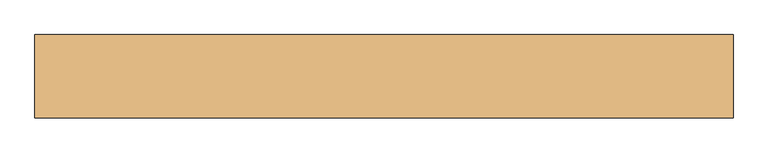
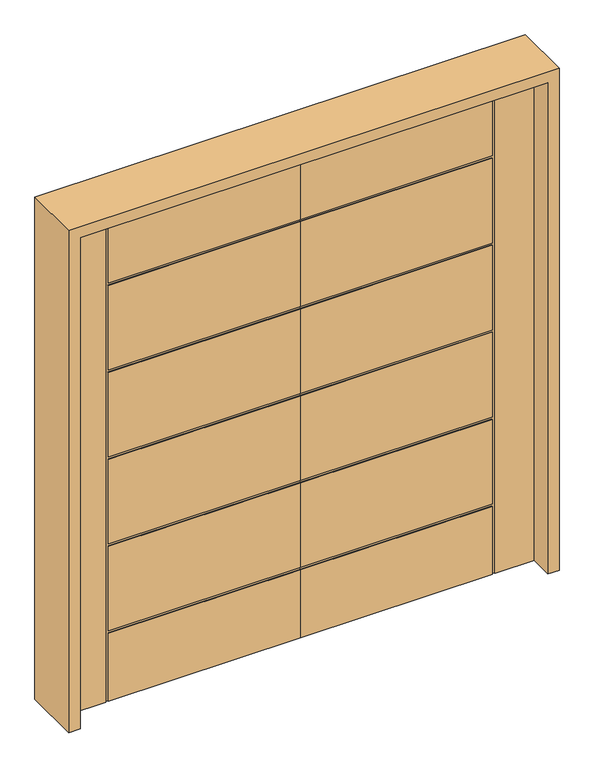
"""IFC4 building model written with IfcOpenShell, lengths in millimetres: door geometry."""

import ifcopenshell
import ifcopenshell.guid

model = None  # the IFC model being written
_history = None  # IfcOwnerHistory: only IFC2X3 demands one
_inside = {}  # id of a spatial element -> (the spatial element, [elements in it])
_under = {}  # id of a project, library or spatial element -> (it, [spatial elements below it])
_declared = {}  # id of a project -> (the project, [libraries it declares])
_typed = {}  # id of a type object -> (the type object, [elements of that type])
_made_of = {}  # id of a material, layer set ... -> (it, [elements and type objects made of it])


def new_model(schema):
    """Start an empty IFC model of exactly this schema.

    Asked for "IFC4X3", IfcOpenShell would pick the latest addendum, in which some entities
    have other attributes; the version numbers below select the first issue.
    IFC2X3 requires an IfcOwnerHistory on every rooted entity: one is made here for all.
    """
    global model, _history
    if schema == "IFC4X3":
        model = ifcopenshell.file(schema_version=(4, 3, 0, 0))
    else:
        model = ifcopenshell.file(schema=schema)
    _inside.clear()
    _under.clear()
    _declared.clear()
    _typed.clear()
    _made_of.clear()
    _history = None
    if model.schema == "IFC2X3":
        org = make("IfcOrganization", Name="unknown")
        user = make(
            "IfcPersonAndOrganization",
            ThePerson=make("IfcPerson", FamilyName="unknown"),
            TheOrganization=org,
        )
        app = make(
            "IfcApplication",
            ApplicationDeveloper=org,
            Version="unknown",
            ApplicationFullName="unknown",
            ApplicationIdentifier="unknown",
        )
        _history = make(
            "IfcOwnerHistory",
            OwningUser=user,
            OwningApplication=app,
            ChangeAction="ADDED",
            CreationDate=0,
        )
    return model


def make(cls, **values):
    """One entity of the class cls with the attributes given. An attribute that is None is left unset."""
    return model.create_entity(
        cls, **{name: value for name, value in values.items() if value is not None}
    )


def rooted(cls, **values):
    """An entity with a GlobalId (a new one), such as an element, a storey or a relation."""
    return make(cls, GlobalId=ifcopenshell.guid.new(), OwnerHistory=_history, **values)


def si_unit(unit_type, name, prefix=None):
    """IfcSIUnit, for example si_unit("LENGTHUNIT", "METRE", prefix="MILLI")."""
    return make("IfcSIUnit", UnitType=unit_type, Prefix=prefix, Name=name)


def assignment(units):
    """IfcUnitAssignment: the units of a project."""
    return None if units is None else make("IfcUnitAssignment", Units=units)


def point(xyz):
    """IfcCartesianPoint."""
    return None if xyz is None else make("IfcCartesianPoint", Coordinates=xyz)


def direction(xyz):
    """IfcDirection."""
    return None if xyz is None else make("IfcDirection", DirectionRatios=xyz)


def frame(location, z_axis=None, x_axis=None):
    """IfcAxis2Placement3D, a coordinate frame: its origin and axes. An axis left out is left unset."""
    return make(
        "IfcAxis2Placement3D",
        Location=point(location),
        Axis=direction(z_axis),
        RefDirection=direction(x_axis),
    )


def origin():
    """The frame at (0, 0, 0) with its axes left unset."""
    return frame((0.0, 0.0, 0.0))


def place(relative_to, where):
    """IfcLocalPlacement: puts the frame where relative to a parent placement (None: the world)."""
    return make(
        "IfcLocalPlacement", PlacementRelTo=relative_to, RelativePlacement=where
    )


def context(
    kind, dimensions, precision=None, world=None, true_north=None, identifier=None
):
    """IfcGeometricRepresentationContext, for example the 3D "Model" context."""
    return make(
        "IfcGeometricRepresentationContext",
        ContextIdentifier=identifier,
        ContextType=kind,
        CoordinateSpaceDimension=dimensions,
        Precision=precision,
        WorldCoordinateSystem=world,
        TrueNorth=true_north,
    )


def project(units=None, contexts=None):
    """IfcProject with its units and contexts."""
    return rooted(
        "IfcProject",
        Name="project",
        RepresentationContexts=contexts,
        UnitsInContext=assignment(units),
    )


def spatial(cls, under=None, at=None, **own):
    """A site, building, storey or space (cls), placed at a placement, below another one or the project."""
    s = rooted(cls, ObjectPlacement=at, **own)
    if under is not None:
        _under.setdefault(under.id(), (under, []))[1].append(s)
    return s


def polyline(points):
    """IfcPolyline through the points."""
    return make("IfcPolyline", Points=[point(p) for p in points])


def outline(outer, holes=None, kind="AREA"):
    """IfcArbitraryClosedProfileDef: a profile drawn as a closed curve; with holes, ...WithVoids."""
    if holes is None:
        return make("IfcArbitraryClosedProfileDef", ProfileType=kind, OuterCurve=outer)
    return make(
        "IfcArbitraryProfileDefWithVoids",
        ProfileType=kind,
        OuterCurve=outer,
        InnerCurves=holes,
    )


def extrude(swept, where, along, depth):
    """IfcExtrudedAreaSolid: the profile swept, set in the frame where, extruded along a direction by depth."""
    return make(
        "IfcExtrudedAreaSolid",
        SweptArea=swept,
        Position=where,
        ExtrudedDirection=direction(along),
        Depth=depth,
    )


def faces_of(points, faces, orient=None, outer=None):
    """IfcFace entities. A face is a list of loops; a loop is a list of indices into points, from 0.

    orient and outer hold one flag for each loop. By default every Orientation is true, the
    first loop of a face is its IfcFaceOuterBound and the others are IfcFaceBound.
    """
    made = []
    for i, loops in enumerate(faces):
        bounds = []
        for j, loop in enumerate(loops):
            is_outer = j == 0 if outer is None else outer[i][j]
            bounds.append(
                make(
                    "IfcFaceOuterBound" if is_outer else "IfcFaceBound",
                    Bound=make("IfcPolyLoop", Polygon=[points[k] for k in loop]),
                    Orientation=True if orient is None else orient[i][j],
                )
            )
        made.append(make("IfcFace", Bounds=bounds))
    return made


def faceted_brep(points, faces, orient=None, outer=None, voids=None):
    """IfcFacetedBrep: a solid bounded by flat faces; with voids (closed shells), ...WithVoids."""
    shared = [point(p) for p in points]
    hull = make("IfcClosedShell", CfsFaces=faces_of(shared, faces, orient, outer))
    if voids is None:
        return make("IfcFacetedBrep", Outer=hull)
    return make(
        "IfcFacetedBrepWithVoids",
        Outer=hull,
        Voids=[
            make(cls, CfsFaces=faces_of(shared, fs, o, b)) for cls, fs, o, b in voids
        ],
    )


def shape(context_of_items, identifier, shape_type, items):
    """IfcShapeRepresentation: the items that make up one representation, for example the "Body"."""
    return make(
        "IfcShapeRepresentation",
        ContextOfItems=context_of_items,
        RepresentationIdentifier=identifier,
        RepresentationType=shape_type,
        Items=items,
    )


def source(mapping_origin, context_of_items, identifier, shape_type, items):
    """IfcRepresentationMap: a shape defined once, which mapped items show again and again."""
    return make(
        "IfcRepresentationMap",
        MappingOrigin=mapping_origin,
        MappedRepresentation=shape(context_of_items, identifier, shape_type, items),
    )


def transform(
    local_origin,
    x_axis=None,
    y_axis=None,
    z_axis=None,
    scale=None,
    scale2=None,
    scale3=None,
    uniform=True,
):
    """IfcCartesianTransformationOperator3D, or its non-uniform kind. x_axis, y_axis, z_axis: its Axis1, 2, 3."""
    if uniform:
        return make(
            "IfcCartesianTransformationOperator3D",
            Axis1=direction(x_axis),
            Axis2=direction(y_axis),
            LocalOrigin=point(local_origin),
            Scale=scale,
            Axis3=direction(z_axis),
        )
    return make(
        "IfcCartesianTransformationOperator3DnonUniform",
        Axis1=direction(x_axis),
        Axis2=direction(y_axis),
        LocalOrigin=point(local_origin),
        Scale=scale,
        Axis3=direction(z_axis),
        Scale2=scale2,
        Scale3=scale3,
    )


def mapped(mapping_source, mapping_target):
    """IfcMappedItem: shows the shape of a source again, moved by a transform."""
    return make(
        "IfcMappedItem", MappingSource=mapping_source, MappingTarget=mapping_target
    )


def made_of(thing, what):
    """Note that an element or type object is made of a material, layer set ...; save() writes the relation."""
    if what is not None:
        _made_of.setdefault(what.id(), (what, []))[1].append(thing)
    return thing


def element(
    cls,
    number,
    at=None,
    inside=None,
    cuts=None,
    type_object=None,
    material=None,
    context=None,
    identifier="Body",
    shape_type=None,
    held_by="IfcProductDefinitionShape",
    body=None,
    shapes=None,
    **own,
):
    """One element of the class cls, such as IfcWall. Its Tag is "e" and its number.

    at: its placement. inside: the storey or other place that contains it. cuts: it is an
    opening in that element (IfcRelVoidsElement). A single representation is given by context,
    identifier, shape_type and body (its items); several are given by shapes. held_by: the class
    of the entity that holds the representations. save() writes the other relations.
    """
    e = rooted(cls, Tag="e%d" % number, ObjectPlacement=at, **own)
    if body is not None:
        shapes = [shape(context, identifier, shape_type, body)]
    if shapes is not None:
        e.Representation = make(held_by, Representations=shapes)
    if inside is not None:
        _inside.setdefault(inside.id(), (inside, []))[1].append(e)
    if cuts is not None:
        rooted(
            "IfcRelVoidsElement", RelatingBuildingElement=cuts, RelatedOpeningElement=e
        )
    if type_object is not None:
        _typed.setdefault(type_object.id(), (type_object, []))[1].append(e)
    return made_of(e, material)


def aggregate(whole, parts):
    """IfcRelAggregates: a whole, such as a stair, and the parts it consists of."""
    return rooted("IfcRelAggregates", RelatingObject=whole, RelatedObjects=parts)


def save(model, path):
    """Write the relations noted so far, then the file.

    IfcRelAggregates (storeys below a building ...), IfcRelContainedInSpatialStructure (elements
    in a storey), IfcRelDefinesByType, IfcRelAssociatesMaterial and IfcRelDeclares: one each for
    every whole, place, type object, material and project.
    """
    for whole, parts in _under.values():
        aggregate(whole, parts)
    for where, things in _inside.values():
        rooted(
            "IfcRelContainedInSpatialStructure",
            RelatedElements=things,
            RelatingStructure=where,
        )
    for kind, things in _typed.values():
        rooted("IfcRelDefinesByType", RelatedObjects=things, RelatingType=kind)
    for what, things in _made_of.values():
        rooted("IfcRelAssociatesMaterial", RelatedObjects=things, RelatingMaterial=what)
    for by, libraries in _declared.values():
        rooted("IfcRelDeclares", RelatingContext=by, RelatedDefinitions=libraries)
    model.write(path)


def door_82192483(model_context):
    return source(origin(), model_context, "Body", "SolidModel", [
        faceted_brep([(0.0, -22.225, 0.0), (-750.824, -22.225, 0.0), (-750.824, -18.923, 0.0), (-760.73, -18.923, 0.0), (-760.73, -22.225, 0.0), (-914.4, -22.225, 0.0), (-914.4, 22.225, 0.0), (-760.73, 22.225, 0.0), (-760.73, 18.923, 0.0), (-750.824, 18.923, 0.0), (-750.824, 22.225, 0.0), (0.0, 22.225, 0.0), (0.0, -22.225, 2032.0), (0.0, -22.225, 1731.518), (0.0, -18.923, 1731.518), (0.0, -18.923, 1721.612), (0.0, -22.225, 1721.612), (0.0, -22.225, 1371.6), (0.0, -18.923, 1371.6), (0.0, -18.923, 1361.694), (0.0, -22.225, 1361.694), (0.0, -22.225, 1011.682), (0.0, -18.923, 1011.682), (0.0, -18.923, 1001.776), (0.0, -22.225, 1001.776), (0.0, -22.225, 651.764), (0.0, -18.923, 651.764), (0.0, -18.923, 641.858), (0.0, -22.225, 641.858), (0.0, -22.225, 291.846), (0.0, -18.923, 291.846), (0.0, -18.923, 281.94), (0.0, -22.225, 281.94), (0.0, 22.225, 281.94), (0.0, 18.923, 281.94), (0.0, 18.923, 291.846), (0.0, 22.225, 291.846), (0.0, 22.225, 641.858), (0.0, 18.923, 641.858), (0.0, 18.923, 651.764), (0.0, 22.225, 651.764), (0.0, 22.225, 1001.776), (0.0, 18.923, 1001.776), (0.0, 18.923, 1011.682), (0.0, 22.225, 1011.682), (0.0, 22.225, 1361.694), (0.0, 18.923, 1361.694), (0.0, 18.923, 1371.6), (0.0, 22.225, 1371.6), (0.0, 22.225, 1721.612), (0.0, 18.923, 1721.612), (0.0, 18.923, 1731.518), (0.0, 22.225, 1731.518), (0.0, 22.225, 2032.0), (-750.824, 22.225, 1731.518), (-750.824, 22.225, 2032.0), (-750.824, 22.225, 281.94), (-750.824, 22.225, 291.846), (-750.824, 22.225, 641.858), (-750.824, 22.225, 651.764), (-750.824, 22.225, 1001.776), (-750.824, 22.225, 1011.682), (-750.824, 22.225, 1361.694), (-750.824, 22.225, 1371.6), (-750.824, 22.225, 1721.612), (-914.4, 22.225, 2032.0), (-760.73, 22.225, 2032.0), (-750.824, 18.923, 281.94), (-750.824, 18.923, 291.846), (-760.73, 18.923, 2032.0), (-750.824, 18.923, 2032.0), (-750.824, 18.923, 1731.518), (-750.824, 18.923, 1721.612), (-750.824, 18.923, 1371.6), (-750.824, 18.923, 1361.694), (-750.824, 18.923, 1011.682), (-750.824, 18.923, 1001.776), (-750.824, 18.923, 651.764), (-750.824, 18.923, 641.858), (-914.4, -22.225, 2032.0), (-760.73, -22.225, 2032.0), (-750.824, -22.225, 281.94), (-750.824, -22.225, 641.858), (-750.824, -22.225, 291.846), (-750.824, -22.225, 1001.776), (-750.824, -22.225, 651.764), (-750.824, -22.225, 2032.0), (-750.824, -22.225, 1731.518), (-750.824, -22.225, 1361.694), (-750.824, -22.225, 1011.682), (-750.824, -22.225, 1721.612), (-750.824, -22.225, 1371.6), (-760.73, -18.923, 2032.0), (-750.824, -18.923, 2032.0), (-750.824, -18.923, 291.846), (-750.824, -18.923, 641.858), (-750.824, -18.923, 651.764), (-750.824, -18.923, 1001.776), (-750.824, -18.923, 1011.682), (-750.824, -18.923, 1361.694), (-750.824, -18.923, 1371.6), (-750.824, -18.923, 1721.612), (-750.824, -18.923, 1731.518), (-750.824, -18.923, 281.94)], [[[0, 1, 2, 3, 4, 5, 6, 7, 8, 9, 10, 11]], [[12, 13, 14, 15, 16, 17, 18, 19, 20, 21, 22, 23, 24, 25, 26, 27, 28, 29, 30, 31, 32, 0, 11, 33, 34, 35, 36, 37, 38, 39, 40, 41, 42, 43, 44, 45, 46, 47, 48, 49, 50, 51, 52, 53]], [[53, 52, 54, 55]], [[10, 56, 33, 11]], [[36, 57, 58, 37]], [[40, 59, 60, 41]], [[44, 61, 62, 45]], [[48, 63, 64, 49]], [[65, 66, 7, 6]], [[67, 56, 10, 9]], [[68, 35, 34, 67, 9, 8, 69, 70, 71, 51, 50, 72, 73, 47, 46, 74, 75, 43, 42, 76, 77, 39, 38, 78]], [[65, 6, 5, 79]], [[5, 4, 80, 79]], [[0, 32, 81, 1]], [[28, 82, 83, 29]], [[24, 84, 85, 25]], [[86, 87, 13, 12]], [[20, 88, 89, 21]], [[16, 90, 91, 17]], [[34, 33, 56, 67]], [[38, 37, 58, 78]], [[78, 58, 57, 68]], [[68, 57, 36, 35]], [[42, 41, 60, 76]], [[76, 60, 59, 77]], [[77, 59, 40, 39]], [[74, 62, 61, 75]], [[75, 61, 44, 43]], [[79, 80, 92, 93, 86, 12, 53, 55, 70, 69, 66, 65]], [[46, 45, 62, 74]], [[73, 63, 48, 47]], [[72, 64, 63, 73]], [[50, 49, 64, 72]], [[71, 54, 52, 51]], [[70, 55, 54, 71]], [[8, 7, 66, 69]], [[92, 80, 4, 3]], [[94, 95, 27, 26, 96, 97, 23, 22, 98, 99, 19, 18, 100, 101, 15, 14, 102, 93, 92, 3, 2, 103, 31, 30]], [[2, 1, 81, 103]], [[103, 81, 32, 31]], [[30, 29, 83, 94]], [[94, 83, 82, 95]], [[95, 82, 28, 27]], [[26, 25, 85, 96]], [[96, 85, 84, 97]], [[97, 84, 24, 23]], [[22, 21, 89, 98]], [[98, 89, 88, 99]], [[99, 88, 20, 19]], [[18, 17, 91, 100]], [[100, 91, 90, 101]], [[101, 90, 16, 15]], [[14, 13, 87, 102]], [[102, 87, 86, 93]]]),
        faceted_brep([(0.0, -22.225, 0.0), (0.0, 22.225, 0.0), (750.824, 22.225, 0.0), (750.824, 18.923, 0.0), (760.73, 18.923, 0.0), (760.73, 22.225, 0.0), (914.4, 22.225, 0.0), (914.4, -22.225, 0.0), (760.73, -22.225, 0.0), (760.73, -18.923, 0.0), (750.824, -18.923, 0.0), (750.824, -22.225, 0.0), (0.0, -22.225, 2032.0), (0.0, 22.225, 2032.0), (0.0, 22.225, 1731.518), (0.0, 18.923, 1731.518), (0.0, 18.923, 1721.612), (0.0, 22.225, 1721.612), (0.0, 22.225, 1371.6), (0.0, 18.923, 1371.6), (0.0, 18.923, 1361.694), (0.0, 22.225, 1361.694), (0.0, 22.225, 1011.682), (0.0, 18.923, 1011.682), (0.0, 18.923, 1001.776), (0.0, 22.225, 1001.776), (0.0, 22.225, 651.764), (0.0, 18.923, 651.764), (0.0, 18.923, 641.858), (0.0, 22.225, 641.858), (0.0, 22.225, 291.846), (0.0, 18.923, 291.846), (0.0, 18.923, 281.94), (0.0, 22.225, 281.94), (0.0, -22.225, 281.94), (0.0, -18.923, 281.94), (0.0, -18.923, 291.846), (0.0, -22.225, 291.846), (0.0, -22.225, 641.858), (0.0, -18.923, 641.858), (0.0, -18.923, 651.764), (0.0, -22.225, 651.764), (0.0, -22.225, 1001.776), (0.0, -18.923, 1001.776), (0.0, -18.923, 1011.682), (0.0, -22.225, 1011.682), (0.0, -22.225, 1361.694), (0.0, -18.923, 1361.694), (0.0, -18.923, 1371.6), (0.0, -22.225, 1371.6), (0.0, -22.225, 1721.612), (0.0, -18.923, 1721.612), (0.0, -18.923, 1731.518), (0.0, -22.225, 1731.518), (750.824, 22.225, 281.94), (750.824, 22.225, 1721.612), (750.824, 22.225, 1371.6), (750.824, 22.225, 1361.694), (750.824, 22.225, 1011.682), (750.824, 22.225, 1001.776), (750.824, 22.225, 651.764), (750.824, 22.225, 641.858), (750.824, 22.225, 291.846), (914.4, 22.225, 2032.0), (760.73, 22.225, 2032.0), (750.824, 22.225, 2032.0), (750.824, 22.225, 1731.518), (750.824, 18.923, 281.94), (750.824, 18.923, 291.846), (750.824, 18.923, 641.858), (750.824, 18.923, 651.764), (750.824, 18.923, 1001.776), (750.824, 18.923, 1011.682), (750.824, 18.923, 1361.694), (750.824, 18.923, 1371.6), (750.824, 18.923, 1721.612), (750.824, 18.923, 1731.518), (750.824, 18.923, 2032.0), (760.73, 18.923, 2032.0), (914.4, -22.225, 2032.0), (750.824, -22.225, 281.94), (760.73, -22.225, 2032.0), (750.824, -22.225, 291.846), (750.824, -22.225, 641.858), (750.824, -22.225, 651.764), (750.824, -22.225, 1001.776), (750.824, -22.225, 1011.682), (750.824, -22.225, 1361.694), (750.824, -22.225, 1371.6), (750.824, -22.225, 1721.612), (750.824, -22.225, 2032.0), (750.824, -22.225, 1731.518), (750.824, -18.923, 2032.0), (760.73, -18.923, 2032.0), (750.824, -18.923, 291.846), (750.824, -18.923, 281.94), (750.824, -18.923, 1731.518), (750.824, -18.923, 1721.612), (750.824, -18.923, 1371.6), (750.824, -18.923, 1361.694), (750.824, -18.923, 1011.682), (750.824, -18.923, 1001.776), (750.824, -18.923, 651.764), (750.824, -18.923, 641.858)], [[[0, 1, 2, 3, 4, 5, 6, 7, 8, 9, 10, 11]], [[12, 13, 14, 15, 16, 17, 18, 19, 20, 21, 22, 23, 24, 25, 26, 27, 28, 29, 30, 31, 32, 33, 1, 0, 34, 35, 36, 37, 38, 39, 40, 41, 42, 43, 44, 45, 46, 47, 48, 49, 50, 51, 52, 53]], [[2, 1, 33, 54]], [[18, 17, 55, 56]], [[22, 21, 57, 58]], [[26, 25, 59, 60]], [[30, 29, 61, 62]], [[63, 6, 5, 64]], [[13, 65, 66, 14]], [[67, 3, 2, 54]], [[68, 69, 28, 27, 70, 71, 24, 23, 72, 73, 20, 19, 74, 75, 16, 15, 76, 77, 78, 4, 3, 67, 32, 31]], [[63, 79, 7, 6]], [[0, 11, 80, 34]], [[7, 79, 81, 8]], [[38, 37, 82, 83]], [[42, 41, 84, 85]], [[46, 45, 86, 87]], [[50, 49, 88, 89]], [[90, 12, 53, 91]], [[32, 67, 54, 33]], [[28, 69, 61, 29]], [[69, 68, 62, 61]], [[68, 31, 30, 62]], [[24, 71, 59, 25]], [[71, 70, 60, 59]], [[70, 27, 26, 60]], [[73, 72, 58, 57]], [[72, 23, 22, 58]], [[79, 63, 64, 78, 77, 65, 13, 12, 90, 92, 93, 81]], [[20, 73, 57, 21]], [[74, 19, 18, 56]], [[75, 74, 56, 55]], [[16, 75, 55, 17]], [[76, 15, 14, 66]], [[77, 76, 66, 65]], [[4, 78, 64, 5]], [[93, 9, 8, 81]], [[94, 36, 35, 95, 10, 9, 93, 92, 96, 52, 51, 97, 98, 48, 47, 99, 100, 44, 43, 101, 102, 40, 39, 103]], [[10, 95, 80, 11]], [[95, 35, 34, 80]], [[36, 94, 82, 37]], [[94, 103, 83, 82]], [[103, 39, 38, 83]], [[40, 102, 84, 41]], [[102, 101, 85, 84]], [[101, 43, 42, 85]], [[44, 100, 86, 45]], [[100, 99, 87, 86]], [[99, 47, 46, 87]], [[48, 98, 88, 49]], [[98, 97, 89, 88]], [[97, 51, 50, 89]], [[52, 96, 91, 53]], [[96, 92, 90, 91]]]),
        extrude(outline(polyline([(0.0, -958.85), (0.0, -914.4), (2032.0, -914.4), (2032.0, 914.4), (0.0, 914.4), (0.0, 958.85), (2076.45, 958.85), (2076.45, -958.85), (0.0, -958.85)])), frame((0.0, -114.3, 0.0), z_axis=(0.0, 1.0, 0.0), x_axis=(0.0, 0.0, 1.0)), (0.0, 0.0, 1.0), 228.6),
    ])


if __name__ == "__main__":
    model = new_model("IFC4")
    model_context = context("Model", 3, world=origin())
    ifc_project = project(units=[si_unit("LENGTHUNIT", "METRE", prefix="MILLI")], contexts=[model_context])
    site = spatial("IfcSite", under=ifc_project)
    building = spatial("IfcBuilding", under=site)
    placement = place(None, origin())
    door_shape = door_82192483(model_context)
    element("IfcDoor", 1, at=placement, inside=building, context=model_context, shape_type="MappedRepresentation", body=[
        mapped(door_shape, transform((0.0, 0.0, 0.0), x_axis=(1.0, 0.0, 0.0), y_axis=(0.0, 1.0, 0.0), z_axis=(0.0, 0.0, 1.0))),
    ])
    save(model, "model.ifc")
